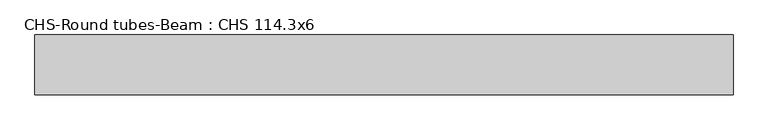
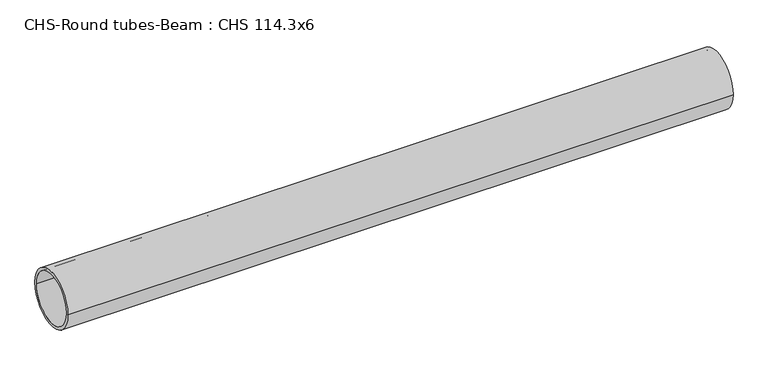
"""IFC4 building model written with IfcOpenShell, lengths in millimetres: beam geometry, CHS-Round tubes-Beam : CHS 114.3x6."""

from ifc_helpers import new_model, si_unit, point, frame, origin, origin_2d, place, context, project, spatial, circle_curve, trimmed, segment, composite_curve, outline, extrude, source, transform, mapped, element, save


def chs_round_tubes_beam_chs_114_3x6_56c6c725(model_context):
    return source(origin(), model_context, "Body", "SweptSolid", [
        extrude(outline(composite_curve([segment(trimmed(circle_curve(origin_2d(), 57.15), [point((57.15, 0.0))], [point((-57.15, 0.0))], False, "CARTESIAN"), True, "CONTINUOUS"), segment(trimmed(circle_curve(origin_2d(), 57.15), [point((-57.15, 0.0))], [point((57.15, 0.0))], False, "CARTESIAN"), True, "CONTINUOUS")], self_intersect=False), holes=[composite_curve([segment(trimmed(circle_curve(origin_2d(), 51.15), [point((51.15, 0.0))], [point((-51.15, 0.0))], True, "CARTESIAN"), True, "CONTINUOUS"), segment(trimmed(circle_curve(origin_2d(), 51.15), [point((-51.15, 0.0))], [point((51.15, 0.0))], True, "CARTESIAN"), True, "CONTINUOUS")], self_intersect=False)]), frame((-705.3304918, 0.0, 0.0), z_axis=(1.0, 0.0, 0.0), x_axis=(0.0, 1.0, 0.0)), (0.0, 0.0, 1.0), 1331.9423556),
    ])


if __name__ == "__main__":
    model = new_model("IFC4")
    model_context = context("Model", 3, world=origin())
    ifc_project = project(units=[si_unit("LENGTHUNIT", "METRE", prefix="MILLI")], contexts=[model_context])
    site = spatial("IfcSite", under=ifc_project)
    building = spatial("IfcBuilding", under=site)
    placement = place(None, origin())
    chs_round_tubes_beam_chs_114_3x6_shape = chs_round_tubes_beam_chs_114_3x6_56c6c725(model_context)
    element("IfcBeam", 1, ObjectType="CHS-Round tubes-Beam : CHS 114.3x6", at=placement, inside=building, context=model_context, shape_type="MappedRepresentation", body=[
        mapped(chs_round_tubes_beam_chs_114_3x6_shape, transform((0.0, 0.0, 0.0), x_axis=(1.0, 0.0, 0.0), y_axis=(0.0, 1.0, 0.0), z_axis=(0.0, 0.0, 1.0))),
    ])
    save(model, "model.ifc")
